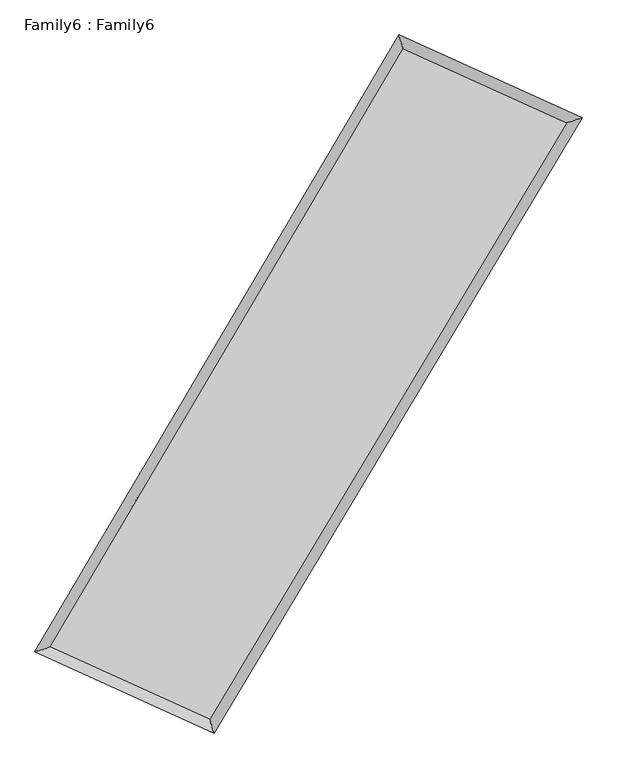
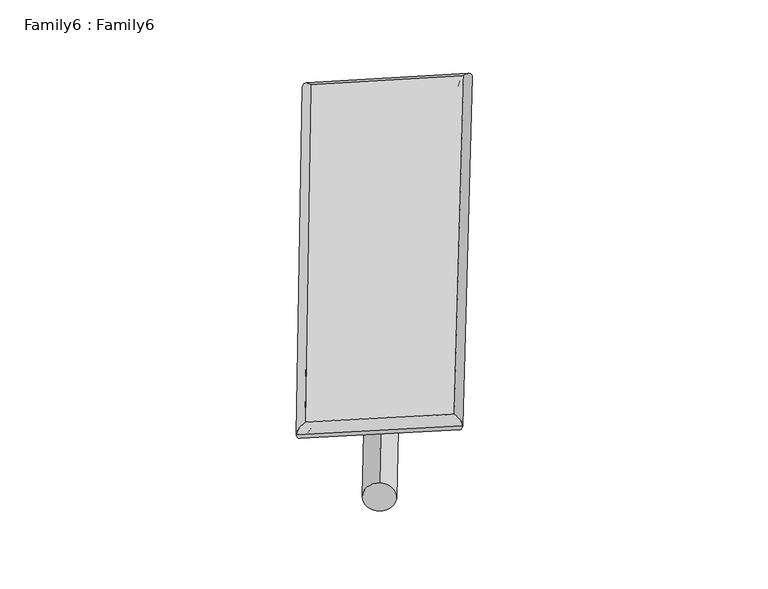
"""IFC4 building model written with IfcOpenShell, lengths in millimetres: plate geometry, Family6 : Family6."""

from ifc_helpers import new_model, si_unit, point, frame, origin, origin_2d, place, context, project, spatial, circle_curve, ellipse_curve, trimmed, segment, composite_curve, outline, extrude, source, transform, mapped, element, save
from ifc_brep_helpers import plane_surface, cylinder_surface, spline_surface, advanced_brep


def family6_family6_0dbb2e71(model_context):
    return source(origin(), model_context, "Body", "SolidModel", [
        extrude(outline(composite_curve([segment(trimmed(circle_curve(origin_2d(), 76.2), [point((-75.4341514, -10.7763073))], [point((75.4341514, 10.7763073))], False, "CARTESIAN"), True, "CONTINUOUS"), segment(trimmed(circle_curve(origin_2d(), 76.2), [point((75.4341514, 10.7763073))], [point((-75.4341514, -10.7763073))], False, "CARTESIAN"), True, "CONTINUOUS")], self_intersect=False)), frame((9144.0, 9144.0, 0.0), z_axis=(0.6795954821727566, 0.6839572439059316, 0.26524039873100147), x_axis=(-0.6755226400842492, 0.7244486674014466, -0.1372708673895309)), (0.0, 0.0, 1.0), 5753.5635711),
        extrude(outline(composite_curve([segment(trimmed(circle_curve(origin_2d(), 76.2), [point((-53.8815367, 53.8815367))], [point((53.8815367, -53.8815367))], False, "CARTESIAN"), True, "CONTINUOUS"), segment(trimmed(circle_curve(origin_2d(), 76.2), [point((53.8815367, -53.8815367))], [point((-53.8815367, 53.8815367))], False, "CARTESIAN"), True, "CONTINUOUS")], self_intersect=False)), frame((9144.0, 9144.0, 0.0), z_axis=(-0.6757236208824333, -0.6875678942654417, 0.265796875370874), x_axis=(0.6370325474910421, -0.3632289223752375, 0.6798928469892862)), (0.0, 0.0, 1.0), 5741.1287692),
        extrude(outline(composite_curve([segment(trimmed(circle_curve(origin_2d(), 76.2), [point((-53.8815368, -53.8815367))], [point((53.8815368, 53.8815367))], False, "CARTESIAN"), True, "CONTINUOUS"), segment(trimmed(circle_curve(origin_2d(), 76.2), [point((53.8815368, 53.8815367))], [point((-53.8815368, -53.8815367))], False, "CARTESIAN"), True, "CONTINUOUS")], self_intersect=False)), frame((9144.0, 9144.0, 0.0), z_axis=(0.26254637813640774, 0.9240732383843229, 0.2777733778268985), x_axis=(-0.8427535044813912, 0.35979781503055414, -0.40038988871295556)), (0.0, 0.0, 1.0), 5470.5681532),
        extrude(outline(composite_curve([segment(trimmed(circle_curve(origin_2d(), 76.2), [point((-75.4341514, 10.7763074))], [point((75.4341514, -10.7763074))], False, "CARTESIAN"), True, "CONTINUOUS"), segment(trimmed(circle_curve(origin_2d(), 76.2), [point((75.4341514, -10.7763074))], [point((-75.4341514, 10.7763074))], False, "CARTESIAN"), True, "CONTINUOUS")], self_intersect=False)), frame((9144.0, 9144.0, 0.0), z_axis=(-0.26820896448614767, -0.922378683735644, 0.277995530826251), x_axis=(0.8799078794545628, -0.11707050085141023, 0.460496060248266)), (0.0, 0.0, 1.0), 5465.3381379),
        advanced_brep(
        [(5047.0208191, 5127.8577413, 1525.5081969), (5047.0194957, 5127.8556647, 1526.624884), (5482.1465411, 5265.3106216, 1526.439979), (10641.9852027, 14003.9762923, 1520.2316124), (10518.5705072, 14394.434966, 1518.9247767), (5482.1478645, 5265.3126982, 1525.3232919), (12835.5278171, 13010.8560206, 1525.9945644), (13272.6638014, 13147.5269448, 1526.160427), (7617.2417297, 4297.8044521, 1519.4542509), (7739.0529053, 3907.9727523, 1519.2249027)],
        [
            (0, 1, ellipse_curve(frame((5264.5836801, 5196.5841814, 1525.974088), z_axis=(-0.30122301155741704, 0.9535526684119037, 0.001416288395143479), x_axis=(-0.9535506428272594, -0.30122548062694715, 0.0020931757654112653)), 228.162758, 152.4)),
            (1, 2, ellipse_curve(frame((5264.5836801, 5196.5841814, 1525.974088), z_axis=(-0.30122301155741704, 0.9535526684119037, 0.001416288395143479), x_axis=(-0.9535506428272594, -0.30122548062694715, 0.0020931757654112653)), 228.162758, 152.4)),
            (2, 3),
            (3, 4, ellipse_curve(frame((10580.277855, 14199.2056291, 1519.5781946), z_axis=(-0.9535022913204834, -0.3013833906073183, -0.0011967926405639462), x_axis=(0.30138027609412926, -0.9535013722834489, 0.0022499411117220267)), 204.750452, 152.4)),
            (4, 0),
            (2, 5, ellipse_curve(frame((5264.5836801, 5196.5841814, 1525.974088), z_axis=(-0.30122301155741704, 0.9535526684119037, 0.001416288395143479), x_axis=(-0.9535506428272594, -0.30122548062694715, 0.0020931757654112653)), 228.162758, 152.4)),
            (5, 0, ellipse_curve(frame((5264.5836801, 5196.5841814, 1525.974088), z_axis=(-0.30122301155741704, 0.9535526684119037, 0.001416288395143479), x_axis=(-0.9535506428272594, -0.30122548062694715, 0.0020931757654112653)), 228.162758, 152.4)),
            (4, 3, ellipse_curve(frame((10580.277855, 14199.2056291, 1519.5781946), z_axis=(-0.9535022913204834, -0.3013833906073183, -0.0011967926405639462), x_axis=(0.30138027609412926, -0.9535013722834489, 0.0022499411117220267)), 204.750452, 152.4)),
            (3, 6),
            (6, 7, ellipse_curve(frame((13054.0958093, 13079.1914827, 1526.0774957), z_axis=(-0.2984054206642289, 0.9544383046667216, -0.0013143451292282602), x_axis=(-0.9544363554539714, -0.2984076131366318, -0.002034652264836837)), 229.0019519, 152.4)),
            (7, 4),
            (7, 6, ellipse_curve(frame((13054.0958093, 13079.1914827, 1526.0774957), z_axis=(-0.2984054206642289, 0.9544383046667216, -0.0013143451292282602), x_axis=(-0.9544363554539714, -0.2984076131366318, -0.002034652264836837)), 229.0019519, 152.4)),
            (6, 8),
            (8, 9, ellipse_curve(frame((7678.1473175, 4102.8886022, 1519.3395768), z_axis=(0.9544868565463733, 0.29825037820716854, -0.0012460254829117251), x_axis=(-0.2982469638281488, 0.9544858079819896, 0.0023645143813358013)), 204.2101862, 152.4)),
            (9, 7),
            (9, 8, ellipse_curve(frame((7678.1473175, 4102.8886022, 1519.3395768), z_axis=(0.9544868565463733, 0.29825037820716854, -0.0012460254829117251), x_axis=(-0.2982469638281488, 0.9544858079819896, 0.0023645143813358013)), 204.2101862, 152.4)),
            (8, 5),
            (1, 9),
        ],
        [
            cylinder_surface(frame((5264.5836801, 5196.5841814, 1525.974088), z_axis=(-0.5084430090990416, -0.8610954257478207, 0.0006117634280242055), x_axis=(-0.861090731828301, 0.5084375814219588, -0.0037386303896461115)), 152.4),
            cylinder_surface(frame((10580.277855, 14199.2056291, 1519.5781946), z_axis=(-0.91097997880777, 0.41244363256871014, -0.0023933585025589423), x_axis=(0.4124485354802073, 0.9109783890811093, -0.002140141915671659)), 152.4),
            cylinder_surface(frame((13054.0958093, 13079.1914827, 1526.0774957), z_axis=(0.5138044462176615, 0.8579070907412142, 0.0006439743072368275), x_axis=(0.8579073139509271, -0.5138044462176615, -0.0001780911779480924)), 152.4),
            cylinder_surface(frame((7678.1473175, 4102.8886022, 1519.3395768), z_axis=(0.9108433602335708, -0.41274459932303126, -0.002503766779849343), x_axis=(-0.41274206385942797, -0.9108467469067226, 0.0014806655600193186)), 152.4),
        ],
        [
            (0, [[1, 2, 3, 4, 5]]),
            (0, [[6, 7, -5, 8, -3]]),
            (1, [[-4, 9, 10, 11]]),
            (1, [[-8, -11, 12, -9]]),
            (2, [[-10, 13, 14, 15]]),
            (2, [[-12, -15, 16, -13]]),
            (3, [[-14, 17, -6, -2, 18]]),
            (3, [[-16, -18, -1, -7, -17]]),
        ],
    ),
        extrude(outline(composite_curve([segment(trimmed(circle_curve(origin_2d(), 304.8), [point((1e-07, 304.8))], [point((0.0, -304.8))], False, "CARTESIAN"), True, "CONTINUOUS"), segment(trimmed(circle_curve(origin_2d(), 304.8), [point((0.0, -304.8))], [point((1e-07, 304.8))], False, "CARTESIAN"), True, "CONTINUOUS")], self_intersect=False)), frame((11832.1286292, 13663.2912629, -0.00035), z_axis=(-0.5112134249618028, -0.8594537998861945, 6.656003279438377e-08), x_axis=(-0.8594537998861969, 0.5112134249618028, -1.8299127589225058e-08)), (0.0, 0.0, 1.0), 10516.658984),
        advanced_brep(
        [(5264.5836801, 5196.5841814, 1525.974088), (7678.1473175, 4102.8886022, 1519.3395768), (7678.1456553, 4102.8866867, 1671.7395768), (5264.5820179, 5196.5822659, 1678.3740879), (13054.0958093, 13079.1914827, 1526.0774957), (13054.0941471, 13079.1895672, 1678.4774957), (10580.277855, 14199.2056291, 1519.5781946), (10580.2761928, 14199.2037137, 1671.9781945)],
        [
            (0, 1),
            (1, 2),
            (2, 3),
            (3, 0),
            (1, 4),
            (4, 5),
            (5, 2),
            (4, 6),
            (6, 7),
            (7, 5),
            (6, 0),
            (3, 7),
        ],
        [
            plane_surface(frame((6471.3654988, 4649.7363918, 1522.6568324), z_axis=(-0.41274592936808374, -0.9108461986173483, -1.5950019957127566e-05), x_axis=(0.910843360233571, -0.4127445993230311, -0.0025037667798493432))),
            plane_surface(frame((10366.1215634, 8591.0400425, 1522.7085362), z_axis=(0.8579072676667223, -0.5138045543552676, 2.899038324554251e-06), x_axis=(0.5138044462176616, 0.8579070907412142, 0.0006439743072368272))),
            plane_surface(frame((11817.1868321, 13639.1985559, 1522.8278451), z_axis=(0.4124447790212749, 0.9109826035681136, 1.5948449850945127e-05), x_axis=(-0.9109799788077698, 0.41244363256871064, -0.0023933585025589428))),
            plane_surface(frame((7922.4307675, 9697.8949053, 1522.7761413), z_axis=(-0.8610955878119171, 0.508443102659326, -3.001199890551899e-06), x_axis=(-0.5084430090990418, -0.8610954257478203, 0.0006117634280242042))),
            spline_surface(1, 1, [[(7678.1456553, 4102.8866867, 1671.7395768), (5264.5820179, 5196.5822659, 1678.3740879)], [(13054.0941471, 13079.1895672, 1678.4774957), (10580.2761928, 14199.2037137, 1671.9781945)]], [2, 2], [2, 2], [0.0, 1.0], [0.0, 1.0]),
            spline_surface(1, 1, [[(10580.277855, 14199.2056291, 1519.5781946), (5264.5836801, 5196.5841814, 1525.974088)], [(13054.0958093, 13079.1914827, 1526.0774957), (7678.1473175, 4102.8886022, 1519.3395768)]], [2, 2], [2, 2], [0.0, 1.0], [0.0, 1.0]),
        ],
        [
            (0, [[1, 2, 3, 4]]),
            (1, [[5, 6, 7, -2]]),
            (2, [[8, 9, 10, -6]]),
            (3, [[11, -4, 12, -9]]),
            (4, [[-3, -7, -10, -12]]),
            (5, [[-11, -8, -5, -1]]),
        ],
    ),
    ])


if __name__ == "__main__":
    model = new_model("IFC4")
    model_context = context("Model", 3, world=origin())
    ifc_project = project(units=[si_unit("LENGTHUNIT", "METRE", prefix="MILLI")], contexts=[model_context])
    site = spatial("IfcSite", under=ifc_project)
    building = spatial("IfcBuilding", under=site)
    placement = place(None, origin())
    family6_family6_shape = family6_family6_0dbb2e71(model_context)
    element("IfcPlate", 1, ObjectType="Family6 : Family6", at=placement, inside=building, context=model_context, shape_type="MappedRepresentation", body=[
        mapped(family6_family6_shape, transform((0.0, 0.0, 0.0), x_axis=(1.0, 0.0, 0.0), y_axis=(0.0, 1.0, 0.0), z_axis=(0.0, 0.0, 1.0))),
    ])
    save(model, "model.ifc")
